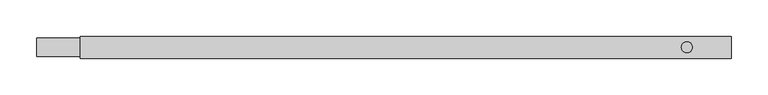
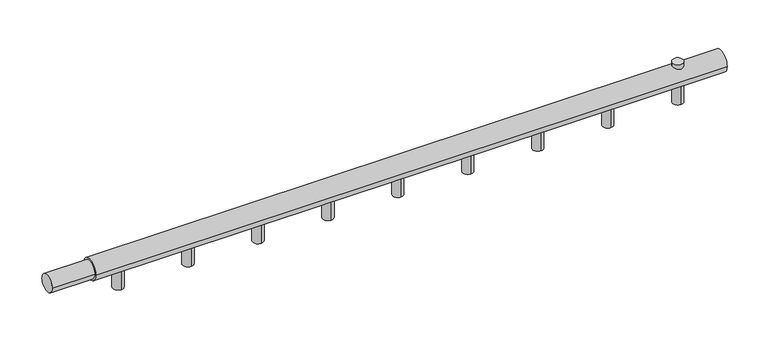
"""IFC4 building model written with IfcOpenShell, lengths in millimetres: proxy geometry."""

from ifc_helpers import new_model, si_unit, point, frame, frame_2d, origin, origin_with_axes, origin_2d, place, context, project, spatial, circle_curve, trimmed, segment, composite_curve, outline, extrude, source, transform, mapped, element, save


def mechanical_equipment_6849b764(model_context):
    return source(origin(), model_context, "Body", "SweptSolid", [
        extrude(outline(composite_curve([segment(trimmed(circle_curve(frame_2d((889.0909091, 0.0)), 7.5), [point((881.5909091, 0.0))], [point((896.5909091, 0.0))], False, "CARTESIAN"), True, "CONTINUOUS"), segment(trimmed(circle_curve(frame_2d((889.0909091, 0.0)), 7.5), [point((896.5909091, 0.0))], [point((881.5909091, 0.0))], False, "CARTESIAN"), True, "CONTINUOUS")], self_intersect=False)), origin_with_axes(), (0.0, 0.0, 1.0), 20.0),
        extrude(outline(composite_curve([segment(trimmed(circle_curve(origin_2d(), 12.5), [point((-12.5, 0.0))], [point((12.5, 0.0))], False, "CARTESIAN"), True, "CONTINUOUS"), segment(trimmed(circle_curve(origin_2d(), 12.5), [point((12.5, 0.0))], [point((-12.5, 0.0))], False, "CARTESIAN"), True, "CONTINUOUS")], self_intersect=False)), frame((0.0, 0.0, 0.0), z_axis=(1.0, 0.0, 0.0), x_axis=(0.0, 1.0, 0.0)), (0.0, 0.0, 1.0), 60.0),
        extrude(outline(composite_curve([segment(trimmed(circle_curve(origin_2d(), 15.0), [point((-15.0, 0.0))], [point((15.0, 0.0))], False, "CARTESIAN"), True, "CONTINUOUS"), segment(trimmed(circle_curve(origin_2d(), 15.0), [point((15.0, 0.0))], [point((-15.0, 0.0))], False, "CARTESIAN"), True, "CONTINUOUS")], self_intersect=False)), frame((60.0, 0.0, 0.0), z_axis=(1.0, 0.0, 0.0), x_axis=(0.0, 1.0, 0.0)), (0.0, 0.0, 1.0), 890.0),
        extrude(outline(composite_curve([segment(trimmed(circle_curve(frame_2d((889.0909091, 0.0)), 7.5), [point((889.0909091, 7.5))], [point((889.0909091, -7.5))], False, "CARTESIAN"), True, "CONTINUOUS"), segment(trimmed(circle_curve(frame_2d((889.0909091, 0.0)), 7.5), [point((889.0909091, -7.5))], [point((889.0909091, 7.5))], False, "CARTESIAN"), True, "CONTINUOUS")], self_intersect=False)), frame((0.0, 0.0, -40.0), z_axis=(0.0, 0.0, 1.0), x_axis=(1.0, 0.0, 0.0)), (0.0, 0.0, 1.0), 40.0),
        extrude(outline(composite_curve([segment(trimmed(circle_curve(frame_2d((790.4545455, 0.0)), 7.5), [point((790.4545455, 7.5))], [point((790.4545455, -7.5))], False, "CARTESIAN"), True, "CONTINUOUS"), segment(trimmed(circle_curve(frame_2d((790.4545455, 0.0)), 7.5), [point((790.4545455, -7.5))], [point((790.4545455, 7.5))], False, "CARTESIAN"), True, "CONTINUOUS")], self_intersect=False)), frame((0.0, 0.0, -40.0), z_axis=(0.0, 0.0, 1.0), x_axis=(1.0, 0.0, 0.0)), (0.0, 0.0, 1.0), 40.0),
        extrude(outline(composite_curve([segment(trimmed(circle_curve(frame_2d((691.8181818, 0.0)), 7.5), [point((691.8181818, 7.5))], [point((691.8181818, -7.5))], False, "CARTESIAN"), True, "CONTINUOUS"), segment(trimmed(circle_curve(frame_2d((691.8181818, 0.0)), 7.5), [point((691.8181818, -7.5))], [point((691.8181818, 7.5))], False, "CARTESIAN"), True, "CONTINUOUS")], self_intersect=False)), frame((0.0, 0.0, -40.0), z_axis=(0.0, 0.0, 1.0), x_axis=(1.0, 0.0, 0.0)), (0.0, 0.0, 1.0), 40.0),
        extrude(outline(composite_curve([segment(trimmed(circle_curve(frame_2d((593.1818182, 0.0)), 7.5), [point((593.1818182, 7.5))], [point((593.1818182, -7.5))], False, "CARTESIAN"), True, "CONTINUOUS"), segment(trimmed(circle_curve(frame_2d((593.1818182, 0.0)), 7.5), [point((593.1818182, -7.5))], [point((593.1818182, 7.5))], False, "CARTESIAN"), True, "CONTINUOUS")], self_intersect=False)), frame((0.0, 0.0, -40.0), z_axis=(0.0, 0.0, 1.0), x_axis=(1.0, 0.0, 0.0)), (0.0, 0.0, 1.0), 40.0),
        extrude(outline(composite_curve([segment(trimmed(circle_curve(frame_2d((494.5454545, 0.0)), 7.5), [point((494.5454545, 7.5))], [point((494.5454545, -7.5))], False, "CARTESIAN"), True, "CONTINUOUS"), segment(trimmed(circle_curve(frame_2d((494.5454545, 0.0)), 7.5), [point((494.5454545, -7.5))], [point((494.5454545, 7.5))], False, "CARTESIAN"), True, "CONTINUOUS")], self_intersect=False)), frame((0.0, 0.0, -40.0), z_axis=(0.0, 0.0, 1.0), x_axis=(1.0, 0.0, 0.0)), (0.0, 0.0, 1.0), 40.0),
        extrude(outline(composite_curve([segment(trimmed(circle_curve(frame_2d((395.9090909, 0.0)), 7.5), [point((395.9090909, 7.5))], [point((395.9090909, -7.5))], False, "CARTESIAN"), True, "CONTINUOUS"), segment(trimmed(circle_curve(frame_2d((395.9090909, 0.0)), 7.5), [point((395.9090909, -7.5))], [point((395.9090909, 7.5))], False, "CARTESIAN"), True, "CONTINUOUS")], self_intersect=False)), frame((0.0, 0.0, -40.0), z_axis=(0.0, 0.0, 1.0), x_axis=(1.0, 0.0, 0.0)), (0.0, 0.0, 1.0), 40.0),
        extrude(outline(composite_curve([segment(trimmed(circle_curve(frame_2d((297.2727273, 0.0)), 7.5), [point((297.2727273, 7.5))], [point((297.2727273, -7.5))], False, "CARTESIAN"), True, "CONTINUOUS"), segment(trimmed(circle_curve(frame_2d((297.2727273, 0.0)), 7.5), [point((297.2727273, -7.5))], [point((297.2727273, 7.5))], False, "CARTESIAN"), True, "CONTINUOUS")], self_intersect=False)), frame((0.0, 0.0, -40.0), z_axis=(0.0, 0.0, 1.0), x_axis=(1.0, 0.0, 0.0)), (0.0, 0.0, 1.0), 40.0),
        extrude(outline(composite_curve([segment(trimmed(circle_curve(frame_2d((198.6363636, 0.0)), 7.5), [point((198.6363636, 7.5))], [point((198.6363636, -7.5))], False, "CARTESIAN"), True, "CONTINUOUS"), segment(trimmed(circle_curve(frame_2d((198.6363636, 0.0)), 7.5), [point((198.6363636, -7.5))], [point((198.6363636, 7.5))], False, "CARTESIAN"), True, "CONTINUOUS")], self_intersect=False)), frame((0.0, 0.0, -40.0), z_axis=(0.0, 0.0, 1.0), x_axis=(1.0, 0.0, 0.0)), (0.0, 0.0, 1.0), 40.0),
        extrude(outline(composite_curve([segment(trimmed(circle_curve(frame_2d((100.0, 0.0)), 7.5), [point((100.0, 7.5))], [point((100.0, -7.5))], False, "CARTESIAN"), True, "CONTINUOUS"), segment(trimmed(circle_curve(frame_2d((100.0, 0.0)), 7.5), [point((100.0, -7.5))], [point((100.0, 7.5))], False, "CARTESIAN"), True, "CONTINUOUS")], self_intersect=False)), frame((0.0, 0.0, -40.0), z_axis=(0.0, 0.0, 1.0), x_axis=(1.0, 0.0, 0.0)), (0.0, 0.0, 1.0), 40.0),
    ])


if __name__ == "__main__":
    model = new_model("IFC4")
    model_context = context("Model", 3, world=origin())
    ifc_project = project(units=[si_unit("LENGTHUNIT", "METRE", prefix="MILLI")], contexts=[model_context])
    site = spatial("IfcSite", under=ifc_project)
    building = spatial("IfcBuilding", under=site)
    placement = place(None, origin())
    mechanical_equipment_shape = mechanical_equipment_6849b764(model_context)
    element("IfcBuildingElementProxy", 1, Name="Mechanical Equipment", at=placement, inside=building, context=model_context, shape_type="MappedRepresentation", body=[
        mapped(mechanical_equipment_shape, transform((0.0, 0.0, 0.0), x_axis=(1.0, 0.0, 0.0), y_axis=(0.0, 1.0, 0.0), z_axis=(0.0, 0.0, 1.0))),
    ])
    save(model, "model.ifc")
